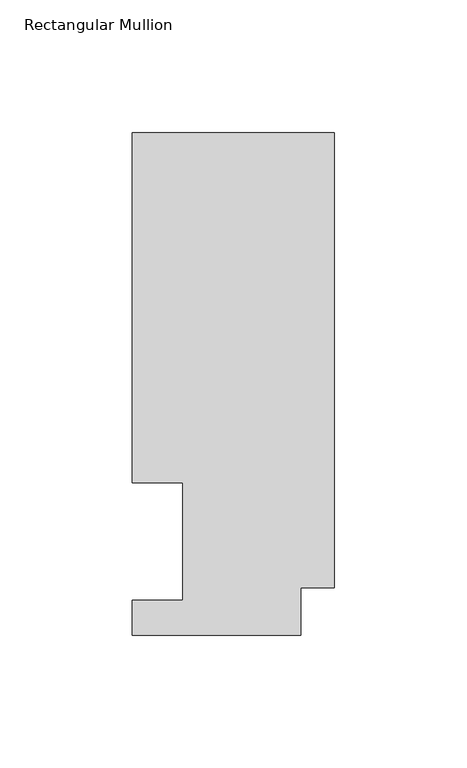
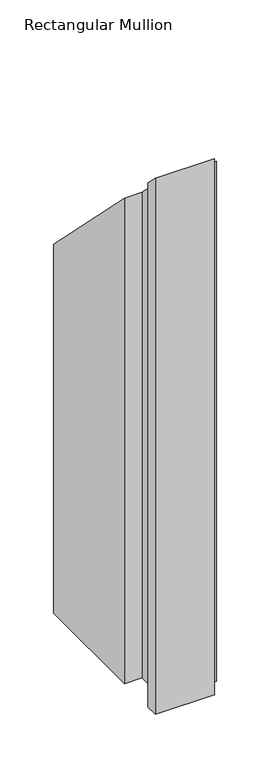
"""IFC4 building model written with IfcOpenShell, lengths in millimetres: member geometry, Rectangular Mullion."""

from ifc_helpers import new_model, si_unit, origin, place, context, project, spatial, faceted_brep, source, transform, mapped, element, save


def rectangular_mullion_2f952b32(model_context):
    return source(origin(), model_context, "Body", "Brep", [
        faceted_brep([(0.0, 189.8022937, -609.6), (0.0, 17.9712937, -609.6), (-12.7, 17.9712937, -609.6), (-12.7, 0.0134937, -609.6), (-76.2, 0.0134937, -609.6), (-76.2, 13.1960937, -609.6), (-57.1627, 13.1960937, -609.6), (-57.1627, 57.6460937, -609.6), (-76.2, 57.6460937, -609.6), (-76.2, 189.8022937, -609.6), (-76.2, 189.8022937, -189.8022937), (0.0, 189.8022937, -189.8022937), (-76.2, 57.6460937, -57.6460937), (-57.1627, 57.6460937, -57.6460937), (-57.1627, 13.1960937, -13.1960937), (-76.2, 13.1960937, -13.1960937), (-76.2, 0.0134937, -0.0134937), (-12.7, 0.0134937, -0.0134937), (-12.7, 17.9712937, -17.9712937), (0.0, 17.9712937, -17.9712937)], [[[0, 1, 2, 3, 4, 5, 6, 7, 8, 9]], [[10, 11, 0, 9]], [[12, 10, 9, 8]], [[13, 12, 8, 7]], [[14, 13, 7, 6]], [[15, 14, 6, 5]], [[16, 15, 5, 4]], [[17, 16, 4, 3]], [[18, 17, 3, 2]], [[19, 18, 2, 1]], [[11, 19, 1, 0]], [[11, 10, 12, 13, 14, 15, 16, 17, 18, 19]]]),
    ])


if __name__ == "__main__":
    model = new_model("IFC4")
    model_context = context("Model", 3, world=origin())
    ifc_project = project(units=[si_unit("LENGTHUNIT", "METRE", prefix="MILLI")], contexts=[model_context])
    site = spatial("IfcSite", under=ifc_project)
    building = spatial("IfcBuilding", under=site)
    placement = place(None, origin())
    rectangular_mullion_shape = rectangular_mullion_2f952b32(model_context)
    element("IfcMember", 1, ObjectType="Rectangular Mullion", at=placement, inside=building, context=model_context, shape_type="MappedRepresentation", body=[
        mapped(rectangular_mullion_shape, transform((0.0, 0.0, 0.0), x_axis=(1.0, 0.0, 0.0), y_axis=(0.0, 1.0, 0.0), z_axis=(0.0, 0.0, 1.0))),
    ])
    save(model, "model.ifc")
